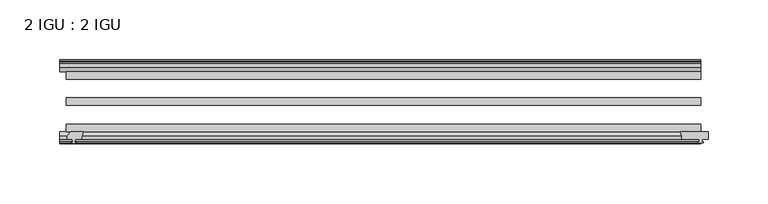
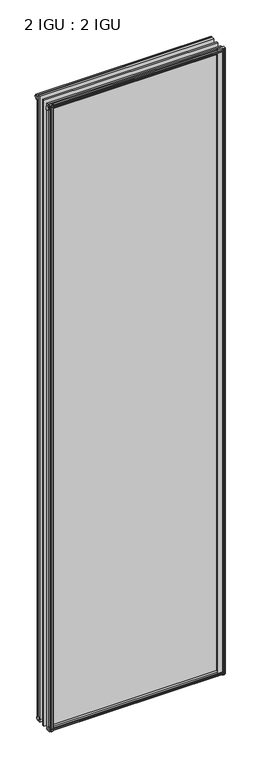
"""IFC4 building model written with IfcOpenShell, lengths in millimetres: plate geometry, 2 IGU : 2 IGU."""

from ifc_helpers import new_model, si_unit, point, frame, frame_2d, origin, origin_with_axes, place, context, project, spatial, polyline, circle_curve, trimmed, segment, composite_curve, outline, extrude, source, transform, mapped, element, save


def plate_2_igu_2_igu_eb7b863b(model_context):
    return source(origin(), model_context, "Body", "SweptSolid", [
        extrude(outline(polyline([(-249.1072819, -69.9960936), (-250.825, -76.3460936), (-256.032, -76.3460936), (-256.413, -78.7262905), (-254.9974709, -78.2663573), (-254.9974709, -79.0675715), (-257.175, -79.7750936), (-259.3525291, -79.0675715), (-259.3525291, -78.2663573), (-257.937, -78.7262905), (-258.318, -76.3460936), (-262.763, -76.3460936), (-262.763, -73.3996936), (-259.9286578, -69.9960936), (-249.1072819, -69.9960936)])), frame((0.0, 0.0, -12.303125), z_axis=(0.0, 0.0, 1.0), x_axis=(1.0, 0.0, 0.0)), (0.0, 0.0, 1.0), 2018.661825),
        extrude(outline(polyline([(255.5181709, -10.4746158), (257.6957, -9.7670937), (259.8732291, -10.4746158), (259.8732291, -11.27583), (258.4577, -10.8158968), (258.8387, -13.1960937), (263.2837, -13.1960937), (263.2837, -16.1424937), (260.4493578, -19.5460937), (249.6279819, -19.5460937), (251.3457, -13.1960937), (256.5527, -13.1960937), (256.9337, -10.8158968), (255.5181709, -11.27583), (255.5181709, -10.4746158)])), origin_with_axes(), (0.0, 0.0, 1.0), 1993.9),
        extrude(outline(composite_curve([segment(polyline([(249.8412713, -69.9960936), (273.05, -69.9960936), (273.05, -76.3460936), (267.97, -76.3460936), (267.6525, -78.4506955), (268.8711059, -78.124171), (269.0749, -78.884741), (266.7, -79.5210936), (264.3251, -78.884741), (264.5288941, -78.124171), (265.7475, -78.4506955), (265.43, -76.3460936), (250.825, -76.3460936)]), True, "CONTINUOUS"), segment(trimmed(circle_curve(frame_2d((238.4838743, -75.0067563)), 12.4135896), [point((250.825, -76.3460936))], [point((249.8412713, -69.9960936))], True, "CARTESIAN"), True, "CONTINUOUS")], self_intersect=False)), frame((0.0, 0.0, -12.4587), z_axis=(0.0, 0.0, 1.0), x_axis=(1.0, 0.0, 0.0)), (0.0, 0.0, 1.0), 2018.8174),
        extrude(outline(polyline([(-19.5460937, 1.5938931), (-13.1960937, -0.123825), (-13.1960937, -5.330825), (-10.8158968, -5.711825), (-11.27583, -4.2962959), (-10.4746158, -4.2962959), (-9.7670937, -6.473825), (-10.4746158, -8.6513541), (-11.27583, -8.6513541), (-10.8158968, -7.235825), (-13.1960937, -7.616825), (-13.1960937, -12.061825), (-16.1424937, -12.061825), (-19.5460937, -9.2274828), (-19.5460937, 1.5938931)])), frame((-263.525, 0.0, 0.0), z_axis=(1.0, 0.0, 0.0), x_axis=(0.0, 1.0, 0.0)), (0.0, 0.0, 1.0), 530.225),
        extrude(outline(polyline([(-69.9960936, 2.1145931), (-69.9960936, -8.7067828), (-73.3996936, -11.541125), (-76.3460936, -11.541125), (-76.3460936, -7.096125), (-78.7262905, -6.715125), (-78.2663573, -8.1306541), (-79.0675715, -8.1306541), (-79.7750936, -5.953125), (-79.0675715, -3.7755959), (-78.2663573, -3.7755959), (-78.7262905, -5.191125), (-76.3460936, -4.810125), (-76.3460936, 0.396875), (-69.9960936, 2.1145931)])), frame((-263.525, 0.0, 0.0), z_axis=(1.0, 0.0, 0.0), x_axis=(0.0, 1.0, 0.0)), (0.0, 0.0, 1.0), 530.225),
        extrude(outline(polyline([(-10.8158968, 2001.5327), (-11.27583, 2002.9482291), (-10.4746158, 2002.9482291), (-9.7670937, 2000.7707), (-10.4746158, 1998.5931709), (-11.27583, 1998.5931709), (-10.8158968, 2000.0087), (-13.1960937, 1999.6277), (-13.1960937, 1994.4207), (-19.5460937, 1992.7029819), (-19.5460937, 2003.5243578), (-16.1424937, 2006.3587), (-13.1960937, 2006.3587), (-13.1960937, 2001.9137), (-10.8158968, 2001.5327)])), frame((-268.8711059, 0.0, 0.0), z_axis=(1.0, 0.0, 0.0), x_axis=(0.0, 1.0, 0.0)), (0.0, 0.0, 1.0), 535.5711059),
        extrude(outline(polyline([(-76.3460936, 2005.838), (-73.3996936, 2005.838), (-69.9960936, 2003.0036578), (-69.9960936, 1992.1822819), (-76.3460936, 1993.9), (-76.3460936, 1999.107), (-78.7262905, 1999.488), (-78.2663573, 1998.0724709), (-79.0675715, 1998.0724709), (-79.7750936, 2000.25), (-79.0675715, 2002.4275291), (-78.2663573, 2002.4275291), (-78.7262905, 2001.012), (-76.3460936, 2001.393), (-76.3460936, 2005.838)])), frame((-268.8711059, 0.0, 0.0), z_axis=(1.0, 0.0, 0.0), x_axis=(0.0, 1.0, 0.0)), (0.0, 0.0, 1.0), 535.5711059),
        extrude(outline(polyline([(-257.6957, -9.7670937), (-255.5181709, -10.4746158), (-255.5181709, -11.27583), (-256.9337, -10.8158968), (-256.5527, -13.1960937), (-251.3457, -13.1960937), (-249.6279819, -19.5460937), (-260.4493578, -19.5460937), (-263.2837, -16.1424937), (-263.2837, -13.1960937), (-258.8387, -13.1960937), (-258.4577, -10.8158968), (-259.8732291, -11.27583), (-259.8732291, -10.4746158), (-257.6957, -9.7670937)])), origin_with_axes(), (0.0, 0.0, 1.0), 1993.9),
        extrude(outline(polyline([(266.7, -19.5460937), (266.7, -25.8960937), (-263.525, -25.8960937), (-263.525, -19.5460937), (266.7, -19.5460937)])), frame((0.0, 0.0, -12.303125), z_axis=(0.0, 0.0, 1.0), x_axis=(1.0, 0.0, 0.0)), (0.0, 0.0, 1.0), 2018.903125),
        extrude(outline(polyline([(-263.525, -41.5960937), (266.7, -41.5960937), (266.7, -47.9460937), (-263.525, -47.9460937), (-263.525, -41.5960937)])), frame((0.0, 0.0, -12.303125), z_axis=(0.0, 0.0, 1.0), x_axis=(1.0, 0.0, 0.0)), (0.0, 0.0, 1.0), 2018.903125),
        extrude(outline(polyline([(266.7, -63.6460936), (266.7, -69.9960936), (-263.525, -69.9960936), (-263.525, -63.6460936), (266.7, -63.6460936)])), frame((0.0, 0.0, -12.303125), z_axis=(0.0, 0.0, 1.0), x_axis=(1.0, 0.0, 0.0)), (0.0, 0.0, 1.0), 2018.903125),
    ])


if __name__ == "__main__":
    model = new_model("IFC4")
    model_context = context("Model", 3, world=origin())
    ifc_project = project(units=[si_unit("LENGTHUNIT", "METRE", prefix="MILLI")], contexts=[model_context])
    site = spatial("IfcSite", under=ifc_project)
    building = spatial("IfcBuilding", under=site)
    placement = place(None, origin())
    plate_2_igu_2_igu_shape = plate_2_igu_2_igu_eb7b863b(model_context)
    element("IfcPlate", 1, ObjectType="2 IGU : 2 IGU", at=placement, inside=building, context=model_context, shape_type="MappedRepresentation", body=[
        mapped(plate_2_igu_2_igu_shape, transform((0.0, 0.0, 0.0), x_axis=(1.0, 0.0, 0.0), y_axis=(0.0, 1.0, 0.0), z_axis=(0.0, 0.0, 1.0))),
    ])
    save(model, "model.ifc")
